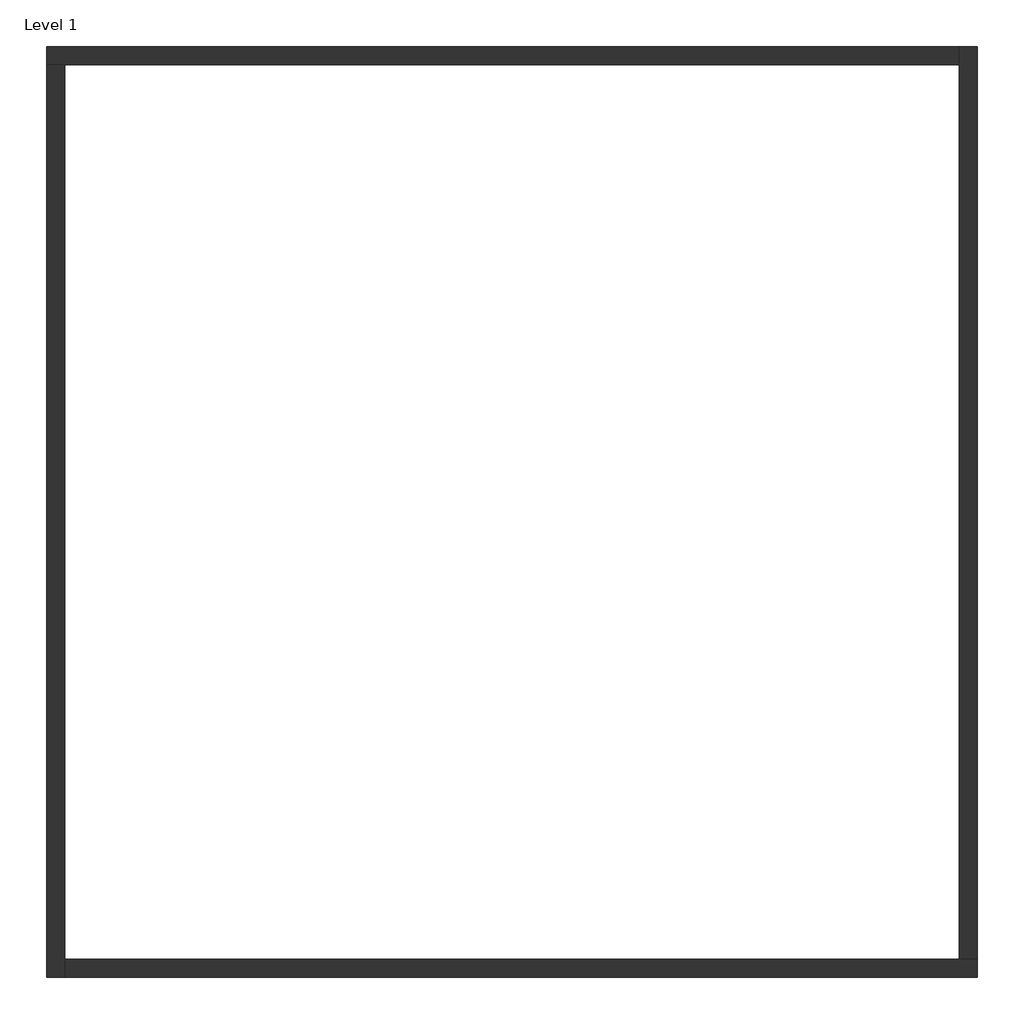
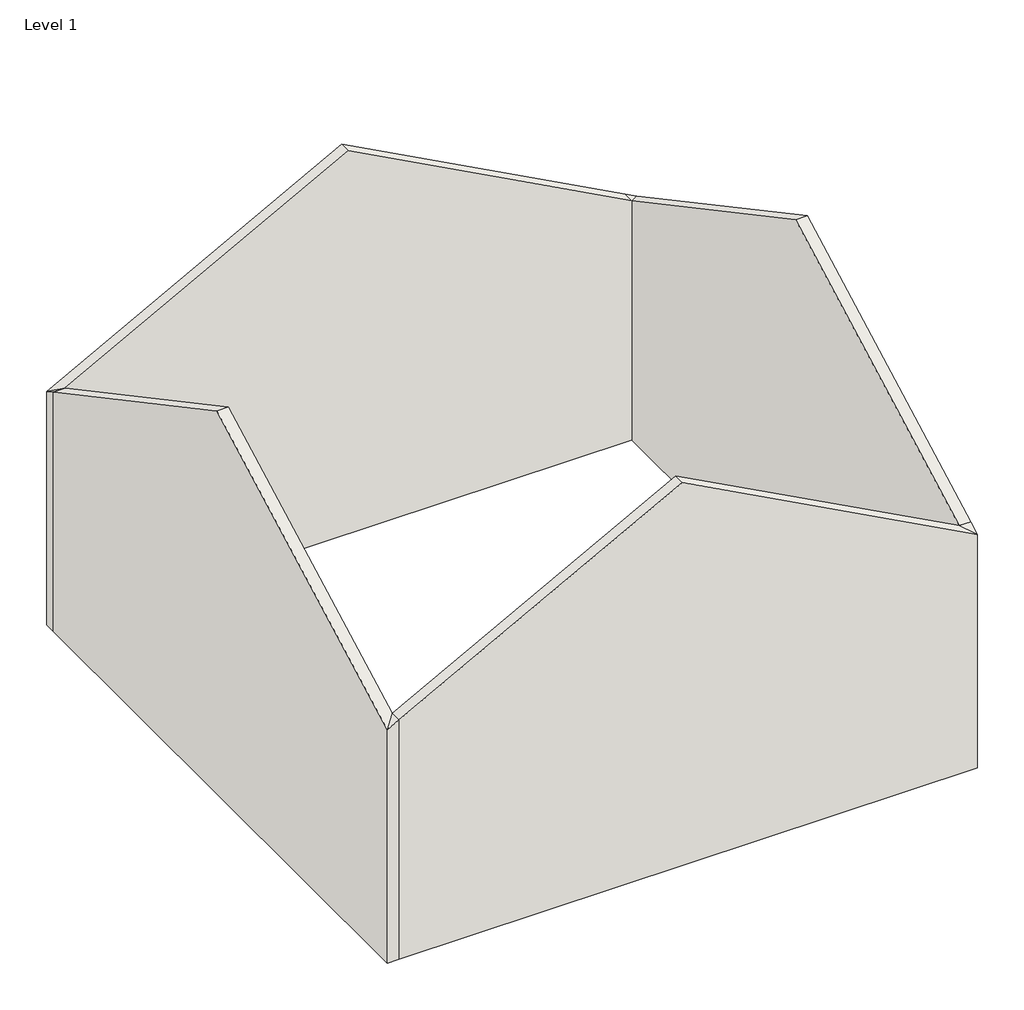
# One storey: 4 walls.
"""IFC4 building model written with IfcOpenShell, lengths in millimetres."""

from ifc_helpers import new_model, si_unit, origin, place, context, project, spatial, faceted_brep, element, save

model = new_model("IFC4")

# Units and contexts
model_context = context("Model", 3, world=origin())
ifc_project = project(units=[si_unit("LENGTHUNIT", "METRE", prefix="MILLI")], contexts=[model_context])

# Site, building, storey
site = spatial("IfcSite", under=ifc_project)
building = spatial("IfcBuilding", under=site)
storey = spatial("IfcBuildingStorey", under=building, Name="Level 1", Elevation=0.0)

# Walls
placement = place(None, origin())
element("IfcWall", 1, ObjectType="Generic - 200mm", at=placement, inside=storey, context=model_context, shape_type="Brep", body=[
    faceted_brep([(-4637.102097, 3732.0857704, 0.0), (-4437.102097, 3732.0857704, 0.0), (5362.897903, 3732.0857704, 0.0), (5362.897903, 3732.0857704, 4375.0), (462.897903, 3732.0857704, 7000.0), (-4437.102097, 3732.0857704, 4375.0), (-4637.102097, 3732.0857704, 4375.0), (-4637.102097, 3932.0857704, 0.0), (-4637.102097, 3932.0857704, 4267.8571429), (462.897903, 3932.0857704, 7000.0), (5362.897903, 3932.0857704, 4375.0), (5362.897903, 3932.0857704, 0.0)], [[[0, 1, 2, 3, 4, 5, 6]], [[7, 8, 9, 10, 11]], [[2, 1, 0, 7, 11]], [[0, 6, 8, 7]], [[3, 2, 11, 10]], [[6, 5, 8]], [[5, 4, 9, 8]], [[4, 3, 10, 9]]]),
])
element("IfcWall", 2, ObjectType="Generic - 200mm", at=placement, inside=storey, context=model_context, shape_type="Brep", body=[
    faceted_brep([(-4437.102097, -6267.9142296, 0.0), (-4437.102097, -6067.9142296, 0.0), (-4437.102097, 3732.0857704, 0.0), (-4437.102097, 3732.0857704, 4375.0), (-4437.102097, -1167.9142296, 7000.0), (-4437.102097, -6067.9142296, 4375.0), (-4437.102097, -6267.9142296, 4375.0), (-4637.102097, -6267.9142296, 0.0), (-4637.102097, -6267.9142296, 4267.8571429), (-4637.102097, -1167.9142296, 7000.0), (-4637.102097, 3732.0857704, 4375.0), (-4637.102097, 3732.0857704, 0.0)], [[[0, 1, 2, 3, 4, 5, 6]], [[7, 8, 9, 10, 11]], [[2, 1, 0, 7, 11]], [[0, 6, 8, 7]], [[3, 2, 11, 10]], [[6, 5, 8]], [[5, 4, 9, 8]], [[4, 3, 10, 9]]]),
])
element("IfcWall", 3, ObjectType="Generic - 200mm", at=placement, inside=storey, context=model_context, shape_type="Brep", body=[
    faceted_brep([(5562.897903, -6067.9142296, 0.0), (5362.897903, -6067.9142296, 0.0), (-4437.102097, -6067.9142296, 0.0), (-4437.102097, -6067.9142296, 4375.0), (462.897903, -6067.9142296, 7000.0), (5362.897903, -6067.9142296, 4375.0), (5562.897903, -6067.9142296, 4375.0), (5562.897903, -6267.9142296, 0.0), (5562.897903, -6267.9142296, 4267.8571429), (462.897903, -6267.9142296, 7000.0), (-4437.102097, -6267.9142296, 4375.0), (-4437.102097, -6267.9142296, 0.0)], [[[0, 1, 2, 3, 4, 5, 6]], [[7, 8, 9, 10, 11]], [[2, 1, 0, 7, 11]], [[0, 6, 8, 7]], [[3, 2, 11, 10]], [[6, 5, 8]], [[5, 4, 9, 8]], [[4, 3, 10, 9]]]),
])
element("IfcWall", 4, ObjectType="Generic - 200mm", at=placement, inside=storey, context=model_context, shape_type="Brep", body=[
    faceted_brep([(5362.897903, 3932.0857704, 0.0), (5362.897903, 3732.0857704, 0.0), (5362.897903, -6067.9142296, 0.0), (5362.897903, -6067.9142296, 4375.0), (5362.897903, -1167.9142296, 7000.0), (5362.897903, 3732.0857704, 4375.0), (5362.897903, 3932.0857704, 4375.0), (5562.897903, 3932.0857704, 0.0), (5562.897903, 3932.0857704, 4267.8571429), (5562.897903, -1167.9142296, 7000.0), (5562.897903, -6067.9142296, 4375.0), (5562.897903, -6067.9142296, 0.0)], [[[0, 1, 2, 3, 4, 5, 6]], [[7, 8, 9, 10, 11]], [[2, 1, 0, 7, 11]], [[0, 6, 8, 7]], [[3, 2, 11, 10]], [[6, 5, 8]], [[5, 4, 9, 8]], [[4, 3, 10, 9]]]),
])

save(model, "model.ifc")
